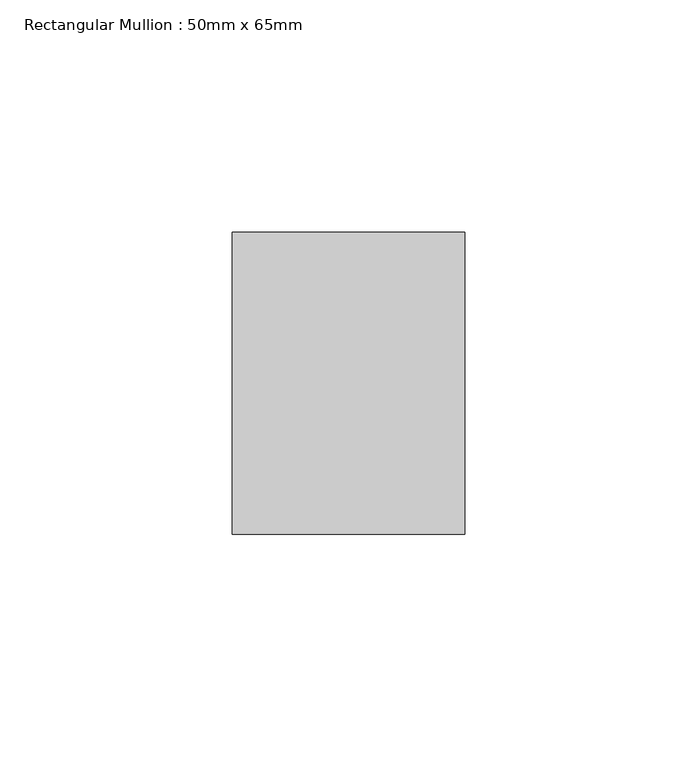
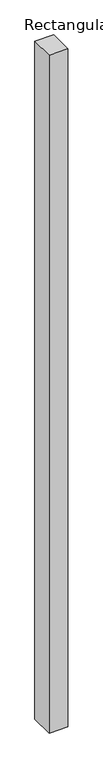
"""IFC4 building model written with IfcOpenShell, lengths in millimetres: member geometry, Rectangular Mullion : 50mm x 65mm."""

from ifc_helpers import new_model, si_unit, frame, origin, place, context, project, spatial, polyline, outline, extrude, source, transform, mapped, element, save


def rectangular_mullion_50mm_x_65mm_e582afa2(model_context):
    return source(origin(), model_context, "Body", "SweptSolid", [
        extrude(outline(polyline([(25.0, 32.5), (25.0, -32.5), (-25.0, -32.5), (-25.0, 32.5), (25.0, 32.5)])), frame((0.0, 0.0, -1897.7016156), z_axis=(0.0, 0.0, 1.0), x_axis=(1.0, 0.0, 0.0)), (0.0, 0.0, 1.0), 1897.7016156),
    ])


if __name__ == "__main__":
    model = new_model("IFC4")
    model_context = context("Model", 3, world=origin())
    ifc_project = project(units=[si_unit("LENGTHUNIT", "METRE", prefix="MILLI")], contexts=[model_context])
    site = spatial("IfcSite", under=ifc_project)
    building = spatial("IfcBuilding", under=site)
    placement = place(None, origin())
    rectangular_mullion_50mm_x_65mm_shape = rectangular_mullion_50mm_x_65mm_e582afa2(model_context)
    element("IfcMember", 1, ObjectType="Rectangular Mullion : 50mm x 65mm", at=placement, inside=building, context=model_context, shape_type="MappedRepresentation", body=[
        mapped(rectangular_mullion_50mm_x_65mm_shape, transform((0.0, 0.0, 0.0), x_axis=(1.0, 0.0, 0.0), y_axis=(0.0, 1.0, 0.0), z_axis=(0.0, 0.0, 1.0))),
    ])
    save(model, "model.ifc")
